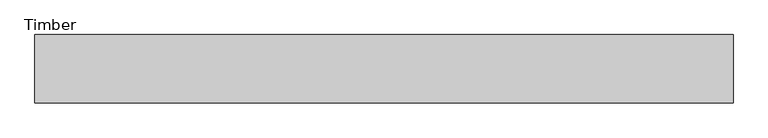
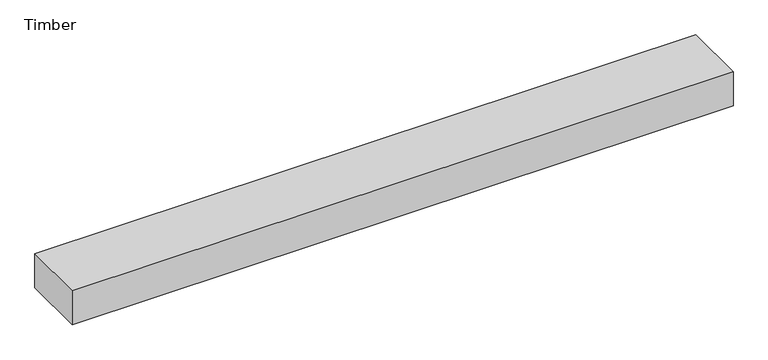
"""IFC4 building model written with IfcOpenShell, lengths in millimetres: beam geometry, Timber."""

from ifc_helpers import new_model, si_unit, frame, origin, place, context, project, spatial, polyline, outline, extrude, source, transform, mapped, element, save


def timber_a53cf77c(model_context):
    return source(origin(), model_context, "Body", "SweptSolid", [
        extrude(outline(polyline([(2338.7739941, 228.6), (2338.7739941, -228.6), (-2338.7739941, -228.6), (-2338.7739941, 228.6), (2338.7739941, 228.6)])), frame((0.0, 0.0, -127.0), z_axis=(0.0, 0.0, 1.0), x_axis=(1.0, 0.0, 0.0)), (0.0, 0.0, 1.0), 254.0),
    ])


if __name__ == "__main__":
    model = new_model("IFC4")
    model_context = context("Model", 3, world=origin())
    ifc_project = project(units=[si_unit("LENGTHUNIT", "METRE", prefix="MILLI")], contexts=[model_context])
    site = spatial("IfcSite", under=ifc_project)
    building = spatial("IfcBuilding", under=site)
    placement = place(None, origin())
    timber_shape = timber_a53cf77c(model_context)
    element("IfcBeam", 1, ObjectType="Timber", at=placement, inside=building, context=model_context, shape_type="MappedRepresentation", body=[
        mapped(timber_shape, transform((0.0, 0.0, 0.0), x_axis=(1.0, 0.0, 0.0), y_axis=(0.0, 1.0, 0.0), z_axis=(0.0, 0.0, 1.0))),
    ])
    save(model, "model.ifc")
